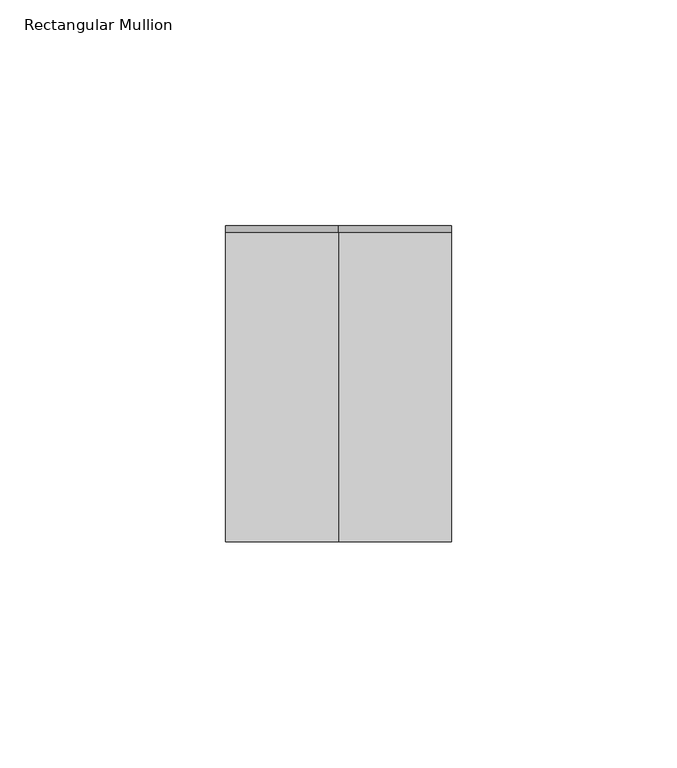
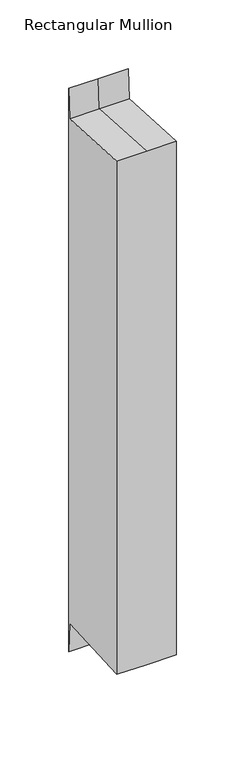
"""IFC4 building model written with IfcOpenShell, lengths in millimetres: member geometry, Rectangular Mullion."""

from ifc_helpers import new_model, si_unit, origin, place, context, project, spatial, faceted_brep, source, transform, mapped, element, save


def rectangular_mullion_456a43d1(model_context):
    return source(origin(), model_context, "Body", "Brep", [
        faceted_brep([(-25.0, 35.0, 24.0223615), (0.0, 35.0, 24.0223615), (25.0, 35.0, 24.0223615), (25.0, 35.0, -476.4159064), (0.0, 35.0, -476.4159064), (-25.0, 35.0, -476.4159064), (-25.0, -35.0, 1.917762), (-25.0, 33.5498891, -1.9147718), (-25.0, 33.5498891, -450.4787732), (-25.0, -35.0, -454.311307), (25.0, -35.0, 1.917762), (0.0, -35.0, 1.917762), (0.0, -35.0, -454.311307), (25.0, -35.0, -454.311307), (25.0, 33.5498891, -1.9147718), (25.0, 33.5498891, -450.4787732), (0.0, 33.5498891, -1.9147718), (0.0, 33.5498891, -450.4787732)], [[[0, 1, 2, 3, 4, 5]], [[6, 7, 0, 5, 8, 9]], [[10, 11, 6, 9, 12, 13]], [[2, 14, 10, 13, 15, 3]], [[2, 1, 16, 14]], [[1, 0, 7, 16]], [[7, 6, 11, 16]], [[11, 10, 14, 16]], [[3, 15, 17, 4]], [[15, 13, 12, 17]], [[12, 9, 8, 17]], [[8, 5, 4, 17]]]),
    ])


if __name__ == "__main__":
    model = new_model("IFC4")
    model_context = context("Model", 3, world=origin())
    ifc_project = project(units=[si_unit("LENGTHUNIT", "METRE", prefix="MILLI")], contexts=[model_context])
    site = spatial("IfcSite", under=ifc_project)
    building = spatial("IfcBuilding", under=site)
    placement = place(None, origin())
    rectangular_mullion_shape = rectangular_mullion_456a43d1(model_context)
    element("IfcMember", 1, ObjectType="Rectangular Mullion", at=placement, inside=building, context=model_context, shape_type="MappedRepresentation", body=[
        mapped(rectangular_mullion_shape, transform((0.0, 0.0, 0.0), x_axis=(1.0, 0.0, 0.0), y_axis=(0.0, 1.0, 0.0), z_axis=(0.0, 0.0, 1.0))),
    ])
    save(model, "model.ifc")
